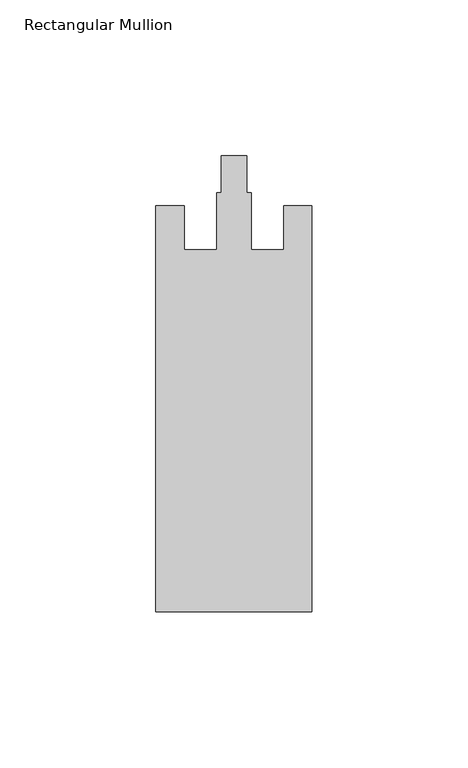
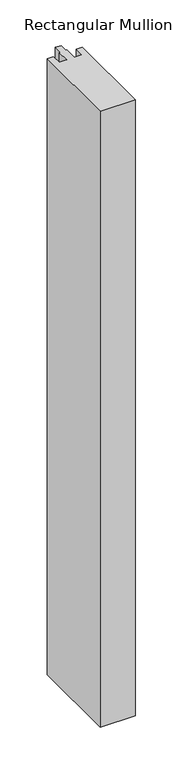
"""IFC4 building model written with IfcOpenShell, lengths in millimetres: member geometry, Rectangular Mullion."""

from ifc_helpers import new_model, si_unit, frame, origin, place, context, project, spatial, polyline, outline, extrude, source, transform, mapped, element, save


def rectangular_mullion_90393085(model_context):
    return source(origin(), model_context, "Body", "SweptSolid", [
        extrude(outline(polyline([(25.0, -153.0), (-25.0, -153.0), (-25.0, -23.0), (-16.0, -23.0), (-16.0, -37.0), (-5.5, -37.0), (-5.5, -18.8), (-4.1, -18.8), (-4.1, -7.0), (4.1, -7.0), (4.1, -18.8), (5.5, -18.8), (5.5, -37.0), (16.0, -37.0), (16.0, -23.0), (25.0, -23.0), (25.0, -153.0)])), frame((0.0, 0.0, -925.0), z_axis=(0.0, 0.0, 1.0), x_axis=(1.0, 0.0, 0.0)), (0.0, 0.0, 1.0), 925.0),
    ])


if __name__ == "__main__":
    model = new_model("IFC4")
    model_context = context("Model", 3, world=origin())
    ifc_project = project(units=[si_unit("LENGTHUNIT", "METRE", prefix="MILLI")], contexts=[model_context])
    site = spatial("IfcSite", under=ifc_project)
    building = spatial("IfcBuilding", under=site)
    placement = place(None, origin())
    rectangular_mullion_shape = rectangular_mullion_90393085(model_context)
    element("IfcMember", 1, ObjectType="Rectangular Mullion", at=placement, inside=building, context=model_context, shape_type="MappedRepresentation", body=[
        mapped(rectangular_mullion_shape, transform((0.0, 0.0, 0.0), x_axis=(1.0, 0.0, 0.0), y_axis=(0.0, 1.0, 0.0), z_axis=(0.0, 0.0, 1.0))),
    ])
    save(model, "model.ifc")
